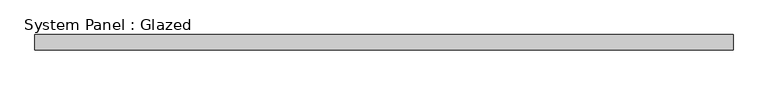
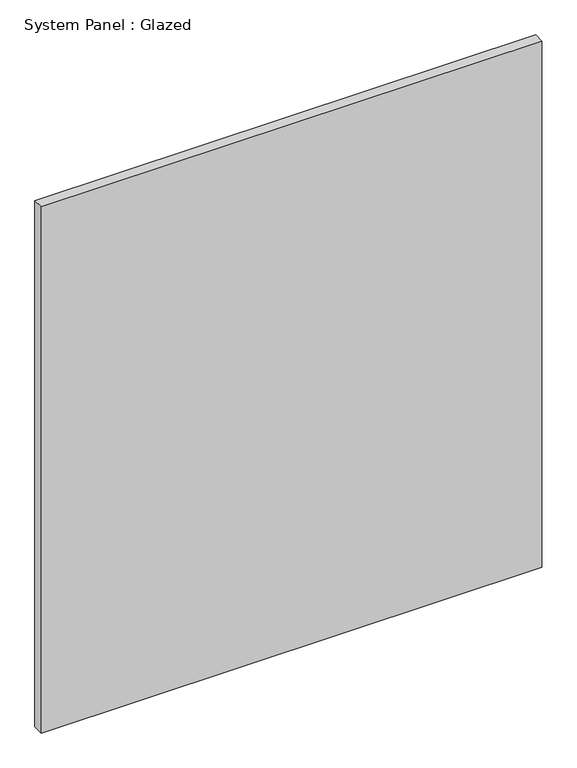
"""IFC4 building model written with IfcOpenShell, lengths in millimetres: plate geometry, System Panel : Glazed."""

import ifcopenshell
import ifcopenshell.guid

model = None  # the IFC model being written
_history = None  # IfcOwnerHistory: only IFC2X3 demands one
_inside = {}  # id of a spatial element -> (the spatial element, [elements in it])
_under = {}  # id of a project, library or spatial element -> (it, [spatial elements below it])
_declared = {}  # id of a project -> (the project, [libraries it declares])
_typed = {}  # id of a type object -> (the type object, [elements of that type])
_made_of = {}  # id of a material, layer set ... -> (it, [elements and type objects made of it])


def new_model(schema):
    """Start an empty IFC model of exactly this schema.

    Asked for "IFC4X3", IfcOpenShell would pick the latest addendum, in which some entities
    have other attributes; the version numbers below select the first issue.
    IFC2X3 requires an IfcOwnerHistory on every rooted entity: one is made here for all.
    """
    global model, _history
    if schema == "IFC4X3":
        model = ifcopenshell.file(schema_version=(4, 3, 0, 0))
    else:
        model = ifcopenshell.file(schema=schema)
    _inside.clear()
    _under.clear()
    _declared.clear()
    _typed.clear()
    _made_of.clear()
    _history = None
    if model.schema == "IFC2X3":
        org = make("IfcOrganization", Name="unknown")
        user = make(
            "IfcPersonAndOrganization",
            ThePerson=make("IfcPerson", FamilyName="unknown"),
            TheOrganization=org,
        )
        app = make(
            "IfcApplication",
            ApplicationDeveloper=org,
            Version="unknown",
            ApplicationFullName="unknown",
            ApplicationIdentifier="unknown",
        )
        _history = make(
            "IfcOwnerHistory",
            OwningUser=user,
            OwningApplication=app,
            ChangeAction="ADDED",
            CreationDate=0,
        )
    return model


def make(cls, **values):
    """One entity of the class cls with the attributes given. An attribute that is None is left unset."""
    return model.create_entity(
        cls, **{name: value for name, value in values.items() if value is not None}
    )


def rooted(cls, **values):
    """An entity with a GlobalId (a new one), such as an element, a storey or a relation."""
    return make(cls, GlobalId=ifcopenshell.guid.new(), OwnerHistory=_history, **values)


def si_unit(unit_type, name, prefix=None):
    """IfcSIUnit, for example si_unit("LENGTHUNIT", "METRE", prefix="MILLI")."""
    return make("IfcSIUnit", UnitType=unit_type, Prefix=prefix, Name=name)


def assignment(units):
    """IfcUnitAssignment: the units of a project."""
    return None if units is None else make("IfcUnitAssignment", Units=units)


def point(xyz):
    """IfcCartesianPoint."""
    return None if xyz is None else make("IfcCartesianPoint", Coordinates=xyz)


def direction(xyz):
    """IfcDirection."""
    return None if xyz is None else make("IfcDirection", DirectionRatios=xyz)


def frame(location, z_axis=None, x_axis=None):
    """IfcAxis2Placement3D, a coordinate frame: its origin and axes. An axis left out is left unset."""
    return make(
        "IfcAxis2Placement3D",
        Location=point(location),
        Axis=direction(z_axis),
        RefDirection=direction(x_axis),
    )


def origin():
    """The frame at (0, 0, 0) with its axes left unset."""
    return frame((0.0, 0.0, 0.0))


def origin_with_axes():
    """The frame at (0, 0, 0) with the z axis (0, 0, 1) and the x axis (1, 0, 0) written out."""
    return frame((0.0, 0.0, 0.0), z_axis=(0.0, 0.0, 1.0), x_axis=(1.0, 0.0, 0.0))


def place(relative_to, where):
    """IfcLocalPlacement: puts the frame where relative to a parent placement (None: the world)."""
    return make(
        "IfcLocalPlacement", PlacementRelTo=relative_to, RelativePlacement=where
    )


def context(
    kind, dimensions, precision=None, world=None, true_north=None, identifier=None
):
    """IfcGeometricRepresentationContext, for example the 3D "Model" context."""
    return make(
        "IfcGeometricRepresentationContext",
        ContextIdentifier=identifier,
        ContextType=kind,
        CoordinateSpaceDimension=dimensions,
        Precision=precision,
        WorldCoordinateSystem=world,
        TrueNorth=true_north,
    )


def project(units=None, contexts=None):
    """IfcProject with its units and contexts."""
    return rooted(
        "IfcProject",
        Name="project",
        RepresentationContexts=contexts,
        UnitsInContext=assignment(units),
    )


def spatial(cls, under=None, at=None, **own):
    """A site, building, storey or space (cls), placed at a placement, below another one or the project."""
    s = rooted(cls, ObjectPlacement=at, **own)
    if under is not None:
        _under.setdefault(under.id(), (under, []))[1].append(s)
    return s


def polyline(points):
    """IfcPolyline through the points."""
    return make("IfcPolyline", Points=[point(p) for p in points])


def outline(outer, holes=None, kind="AREA"):
    """IfcArbitraryClosedProfileDef: a profile drawn as a closed curve; with holes, ...WithVoids."""
    if holes is None:
        return make("IfcArbitraryClosedProfileDef", ProfileType=kind, OuterCurve=outer)
    return make(
        "IfcArbitraryProfileDefWithVoids",
        ProfileType=kind,
        OuterCurve=outer,
        InnerCurves=holes,
    )


def extrude(swept, where, along, depth):
    """IfcExtrudedAreaSolid: the profile swept, set in the frame where, extruded along a direction by depth."""
    return make(
        "IfcExtrudedAreaSolid",
        SweptArea=swept,
        Position=where,
        ExtrudedDirection=direction(along),
        Depth=depth,
    )


def shape(context_of_items, identifier, shape_type, items):
    """IfcShapeRepresentation: the items that make up one representation, for example the "Body"."""
    return make(
        "IfcShapeRepresentation",
        ContextOfItems=context_of_items,
        RepresentationIdentifier=identifier,
        RepresentationType=shape_type,
        Items=items,
    )


def source(mapping_origin, context_of_items, identifier, shape_type, items):
    """IfcRepresentationMap: a shape defined once, which mapped items show again and again."""
    return make(
        "IfcRepresentationMap",
        MappingOrigin=mapping_origin,
        MappedRepresentation=shape(context_of_items, identifier, shape_type, items),
    )


def transform(
    local_origin,
    x_axis=None,
    y_axis=None,
    z_axis=None,
    scale=None,
    scale2=None,
    scale3=None,
    uniform=True,
):
    """IfcCartesianTransformationOperator3D, or its non-uniform kind. x_axis, y_axis, z_axis: its Axis1, 2, 3."""
    if uniform:
        return make(
            "IfcCartesianTransformationOperator3D",
            Axis1=direction(x_axis),
            Axis2=direction(y_axis),
            LocalOrigin=point(local_origin),
            Scale=scale,
            Axis3=direction(z_axis),
        )
    return make(
        "IfcCartesianTransformationOperator3DnonUniform",
        Axis1=direction(x_axis),
        Axis2=direction(y_axis),
        LocalOrigin=point(local_origin),
        Scale=scale,
        Axis3=direction(z_axis),
        Scale2=scale2,
        Scale3=scale3,
    )


def mapped(mapping_source, mapping_target):
    """IfcMappedItem: shows the shape of a source again, moved by a transform."""
    return make(
        "IfcMappedItem", MappingSource=mapping_source, MappingTarget=mapping_target
    )


def made_of(thing, what):
    """Note that an element or type object is made of a material, layer set ...; save() writes the relation."""
    if what is not None:
        _made_of.setdefault(what.id(), (what, []))[1].append(thing)
    return thing


def element(
    cls,
    number,
    at=None,
    inside=None,
    cuts=None,
    type_object=None,
    material=None,
    context=None,
    identifier="Body",
    shape_type=None,
    held_by="IfcProductDefinitionShape",
    body=None,
    shapes=None,
    **own,
):
    """One element of the class cls, such as IfcWall. Its Tag is "e" and its number.

    at: its placement. inside: the storey or other place that contains it. cuts: it is an
    opening in that element (IfcRelVoidsElement). A single representation is given by context,
    identifier, shape_type and body (its items); several are given by shapes. held_by: the class
    of the entity that holds the representations. save() writes the other relations.
    """
    e = rooted(cls, Tag="e%d" % number, ObjectPlacement=at, **own)
    if body is not None:
        shapes = [shape(context, identifier, shape_type, body)]
    if shapes is not None:
        e.Representation = make(held_by, Representations=shapes)
    if inside is not None:
        _inside.setdefault(inside.id(), (inside, []))[1].append(e)
    if cuts is not None:
        rooted(
            "IfcRelVoidsElement", RelatingBuildingElement=cuts, RelatedOpeningElement=e
        )
    if type_object is not None:
        _typed.setdefault(type_object.id(), (type_object, []))[1].append(e)
    return made_of(e, material)


def aggregate(whole, parts):
    """IfcRelAggregates: a whole, such as a stair, and the parts it consists of."""
    return rooted("IfcRelAggregates", RelatingObject=whole, RelatedObjects=parts)


def save(model, path):
    """Write the relations noted so far, then the file.

    IfcRelAggregates (storeys below a building ...), IfcRelContainedInSpatialStructure (elements
    in a storey), IfcRelDefinesByType, IfcRelAssociatesMaterial and IfcRelDeclares: one each for
    every whole, place, type object, material and project.
    """
    for whole, parts in _under.values():
        aggregate(whole, parts)
    for where, things in _inside.values():
        rooted(
            "IfcRelContainedInSpatialStructure",
            RelatedElements=things,
            RelatingStructure=where,
        )
    for kind, things in _typed.values():
        rooted("IfcRelDefinesByType", RelatedObjects=things, RelatingType=kind)
    for what, things in _made_of.values():
        rooted("IfcRelAssociatesMaterial", RelatedObjects=things, RelatingMaterial=what)
    for by, libraries in _declared.values():
        rooted("IfcRelDeclares", RelatingContext=by, RelatedDefinitions=libraries)
    model.write(path)


def system_panel_glazed_7b9f35e0(model_context):
    return source(origin(), model_context, "Body", "SweptSolid", [
        extrude(outline(polyline([(575.0749998, 24.5), (-575.0749998, 24.5), (-575.0749998, 49.5), (575.0749998, 49.5), (575.0749998, 24.5)])), origin_with_axes(), (0.0, 0.0, 1.0), 1277.830469),
    ])


if __name__ == "__main__":
    model = new_model("IFC4")
    model_context = context("Model", 3, world=origin())
    ifc_project = project(units=[si_unit("LENGTHUNIT", "METRE", prefix="MILLI")], contexts=[model_context])
    site = spatial("IfcSite", under=ifc_project)
    building = spatial("IfcBuilding", under=site)
    placement = place(None, origin())
    system_panel_glazed_shape = system_panel_glazed_7b9f35e0(model_context)
    element("IfcPlate", 1, ObjectType="System Panel : Glazed", at=placement, inside=building, context=model_context, shape_type="MappedRepresentation", body=[
        mapped(system_panel_glazed_shape, transform((0.0, 0.0, 0.0), x_axis=(1.0, 0.0, 0.0), y_axis=(0.0, 1.0, 0.0), z_axis=(0.0, 0.0, 1.0))),
    ])
    save(model, "model.ifc")
